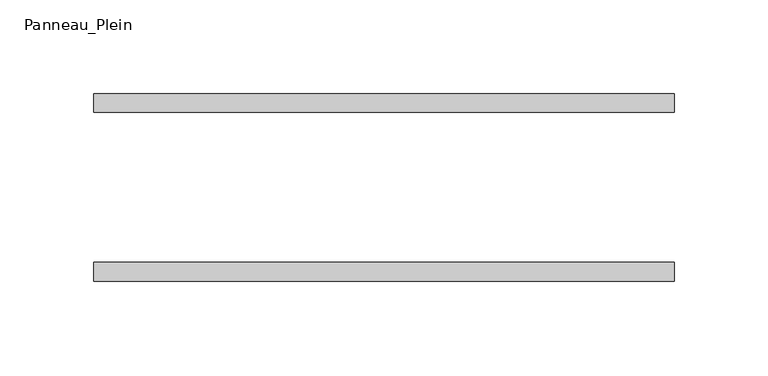
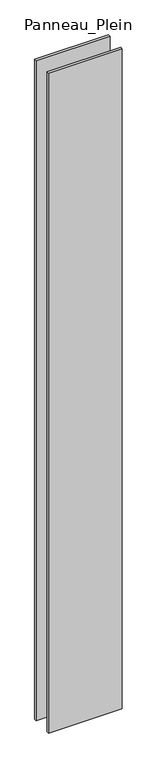
"""IFC4 building model written with IfcOpenShell, lengths in millimetres: plate geometry, Panneau_Plein."""

from ifc_helpers import new_model, si_unit, origin, origin_with_axes, place, context, project, spatial, polyline, outline, extrude, source, transform, mapped, element, save


def panneau_plein_46188c55(model_context):
    return source(origin(), model_context, "Body", "SweptSolid", [
        extrude(outline(polyline([(154.9718781, 50.0), (154.9718781, 40.0), (-154.9718781, 40.0), (-154.9718781, 50.0), (154.9718781, 50.0)])), origin_with_axes(), (0.0, 0.0, 1.0), 2930.3804804),
        extrude(outline(polyline([(154.9718781, -40.0), (154.9718781, -50.0), (-154.9718781, -50.0), (-154.9718781, -40.0), (154.9718781, -40.0)])), origin_with_axes(), (0.0, 0.0, 1.0), 2930.3804804),
    ])


if __name__ == "__main__":
    model = new_model("IFC4")
    model_context = context("Model", 3, world=origin())
    ifc_project = project(units=[si_unit("LENGTHUNIT", "METRE", prefix="MILLI")], contexts=[model_context])
    site = spatial("IfcSite", under=ifc_project)
    building = spatial("IfcBuilding", under=site)
    placement = place(None, origin())
    panneau_plein_shape = panneau_plein_46188c55(model_context)
    element("IfcPlate", 1, ObjectType="Panneau_Plein", at=placement, inside=building, context=model_context, shape_type="MappedRepresentation", body=[
        mapped(panneau_plein_shape, transform((0.0, 0.0, 0.0), x_axis=(1.0, 0.0, 0.0), y_axis=(0.0, 1.0, 0.0), z_axis=(0.0, 0.0, 1.0))),
    ])
    save(model, "model.ifc")
